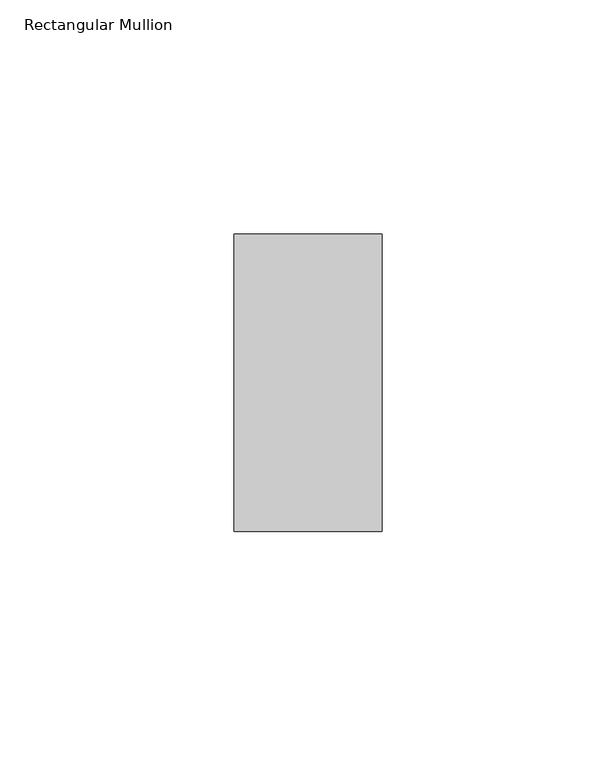
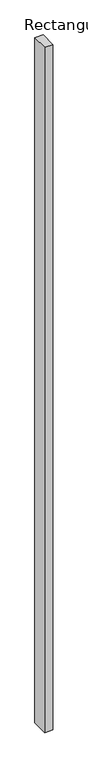
"""IFC4 building model written with IfcOpenShell, lengths in millimetres: member geometry, Rectangular Mullion."""

from ifc_helpers import new_model, si_unit, frame, origin, place, context, project, spatial, polyline, outline, extrude, source, transform, mapped, element, save


def rectangular_mullion_5cea85e1(model_context):
    return source(origin(), model_context, "Body", "SweptSolid", [
        extrude(outline(polyline([(0.0, 31.7489583), (0.0, -31.7489583), (-31.623, -31.7489583), (-31.623, 31.7489583), (0.0, 31.7489583)])), frame((0.0, 0.0, -2743.2), z_axis=(0.0, 0.0, 1.0), x_axis=(1.0, 0.0, 0.0)), (0.0, 0.0, 1.0), 2743.2),
    ])


if __name__ == "__main__":
    model = new_model("IFC4")
    model_context = context("Model", 3, world=origin())
    ifc_project = project(units=[si_unit("LENGTHUNIT", "METRE", prefix="MILLI")], contexts=[model_context])
    site = spatial("IfcSite", under=ifc_project)
    building = spatial("IfcBuilding", under=site)
    placement = place(None, origin())
    rectangular_mullion_shape = rectangular_mullion_5cea85e1(model_context)
    element("IfcMember", 1, ObjectType="Rectangular Mullion", at=placement, inside=building, context=model_context, shape_type="MappedRepresentation", body=[
        mapped(rectangular_mullion_shape, transform((0.0, 0.0, 0.0), x_axis=(1.0, 0.0, 0.0), y_axis=(0.0, 1.0, 0.0), z_axis=(0.0, 0.0, 1.0))),
    ])
    save(model, "model.ifc")
